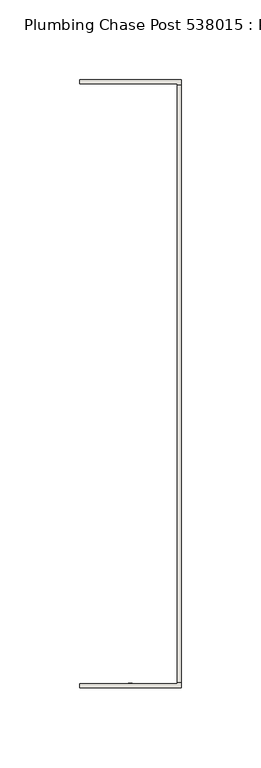
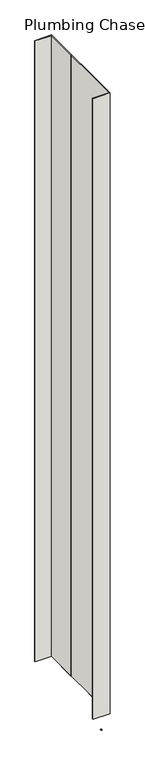
"""IFC4 building model written with IfcOpenShell, lengths in millimetres: wall geometry, Plumbing Chase Post 538015 : Plumbing Chase Post 538015."""

from ifc_helpers import new_model, si_unit, frame, origin, place, context, project, spatial, polyline, outline, extrude, source, transform, mapped, element, save


def plumbing_chase_post_538015_plumbing_chase_post_538015_5641503f(model_context):
    return source(origin(), model_context, "Body", "SweptSolid", [
        extrude(outline(polyline([(44102.7108038, -49579.9615968), (44102.7108038, -49577.4215968), (44105.2508038, -49577.4215968), (44105.2508038, -49579.9615968), (44102.7108038, -49579.9615968)])), frame((0.0, 0.0, 4419.6), z_axis=(0.0, 0.0, 1.0), x_axis=(1.0, 0.0, 0.0)), (0.0, 0.0, 1.0), 2.54),
        extrude(outline(polyline([(44135.9788602, -49201.6541492), (44135.9788602, -49577.2684348), (44133.3123428, -49577.2684348), (44133.3123428, -49201.6541492), (44135.9788602, -49201.6541492)])), frame((0.0, 0.0, 4474.8958), z_axis=(0.0, 0.0, 1.0), x_axis=(1.0, 0.0, 0.0)), (0.0, 0.0, 1.0), 2481.1482254),
        extrude(outline(polyline([(44135.9788602, -49201.6541492), (44135.9788602, -49577.2684348), (44133.3123428, -49577.2684348), (44133.3123428, -49201.6541492), (44135.9788602, -49201.6541492)])), frame((0.0, 0.0, 4474.8958), z_axis=(0.0, 0.0, 1.0), x_axis=(1.0, 0.0, 0.0)), (0.0, 0.0, 1.0), 2481.1482254),
        extrude(outline(polyline([(44135.9788602, -49198.2001048), (44135.9788602, -49331.5501048), (44133.3123428, -49331.5501048), (44133.3123428, -49200.8665968), (44071.9703522, -49200.8665968), (44071.9703522, -49198.2001048), (44135.9788602, -49198.2001048)])), frame((0.0, 0.0, 4474.8958), z_axis=(0.0, 0.0, 1.0), x_axis=(1.0, 0.0, 0.0)), (0.0, 0.0, 1.0), 2481.1482254),
        extrude(outline(polyline([(44135.9788602, -49198.2001048), (44135.9788602, -49331.5501048), (44133.3123428, -49331.5501048), (44133.3123428, -49200.8665968), (44071.9703522, -49200.8665968), (44071.9703522, -49198.2001048), (44135.9788602, -49198.2001048)])), frame((0.0, 0.0, 4474.8958), z_axis=(0.0, 0.0, 1.0), x_axis=(1.0, 0.0, 0.0)), (0.0, 0.0, 1.0), 2481.1482254),
        extrude(outline(polyline([(44133.3123428, -49447.3476888), (44135.9788602, -49447.3476888), (44135.9788602, -49580.6976888), (44071.9703522, -49580.6976888), (44071.9703522, -49578.0311714), (44133.3123428, -49578.0559872), (44133.3123428, -49447.3476888)])), frame((0.0, 0.0, 4474.8958), z_axis=(0.0, 0.0, 1.0), x_axis=(1.0, 0.0, 0.0)), (0.0, 0.0, 1.0), 2481.1482254),
        extrude(outline(polyline([(44133.3123428, -49447.3476888), (44135.9788602, -49447.3476888), (44135.9788602, -49580.6976888), (44071.9703522, -49580.6976888), (44071.9703522, -49578.0311714), (44133.3123428, -49578.0559872), (44133.3123428, -49447.3476888)])), frame((0.0, 0.0, 4474.8958), z_axis=(0.0, 0.0, 1.0), x_axis=(1.0, 0.0, 0.0)), (0.0, 0.0, 1.0), 2481.1482254),
    ])


if __name__ == "__main__":
    model = new_model("IFC4")
    model_context = context("Model", 3, world=origin())
    ifc_project = project(units=[si_unit("LENGTHUNIT", "METRE", prefix="MILLI")], contexts=[model_context])
    site = spatial("IfcSite", under=ifc_project)
    building = spatial("IfcBuilding", under=site)
    placement = place(None, origin())
    plumbing_chase_post_538015_plumbing_chase_post_538015_shape = plumbing_chase_post_538015_plumbing_chase_post_538015_5641503f(model_context)
    element("IfcWall", 1, ObjectType="Plumbing Chase Post 538015 : Plumbing Chase Post 538015", at=placement, inside=building, context=model_context, shape_type="MappedRepresentation", body=[
        mapped(plumbing_chase_post_538015_plumbing_chase_post_538015_shape, transform((0.0, 0.0, 0.0), x_axis=(1.0, 0.0, 0.0), y_axis=(0.0, 1.0, 0.0), z_axis=(0.0, 0.0, 1.0))),
    ])
    save(model, "model.ifc")
